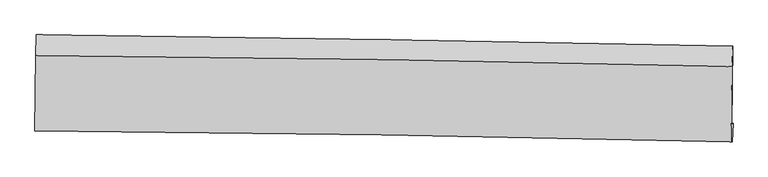
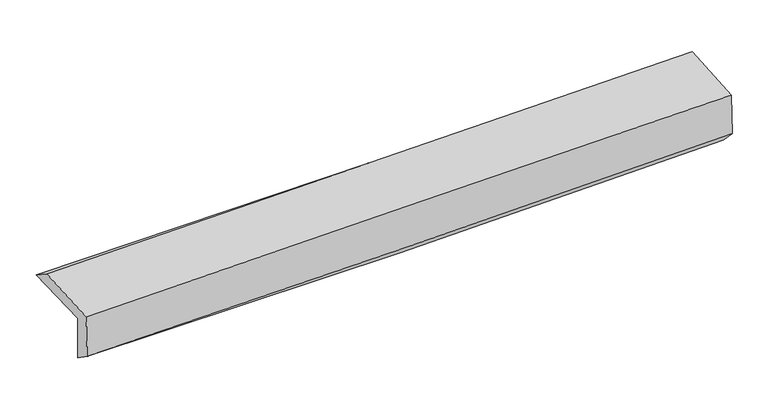
"""IFC4 building model written with IfcOpenShell, lengths in millimetres: proxy geometry."""

from ifc_helpers import new_model, si_unit, frame, origin, place, context, project, spatial, source, transform, mapped, element, save
from ifc_brep_helpers import plane_surface, spline_curve, spline_surface, advanced_brep


def generic_models_fbefbb0f(model_context):
    return source(origin(), model_context, "Body", "AdvancedBrep", [
        advanced_brep(
        [(-2984.5013534, -1759.8073733, 1976.1777905), (-2978.4077812, -1080.5065082, 1990.4393045), (2970.868915, -1177.0112699, 2112.7228976), (2960.7509034, -1853.3276905, 2108.3089153), (-2973.1799038, -1747.018965, 1576.8777085), (2972.4880691, -1840.0697004, 1694.3468009), (-2977.7413192, -1902.2083258, 1686.6192734), (2965.6869239, -1996.1894641, 1853.5645959), (-2988.8791033, -1904.6282183, 2082.9047461), (2954.8860055, -1998.5489902, 2239.8529827), (-2983.537521, -1258.5849485, 2112.6428892), (2963.8363831, -1352.5502915, 2269.6920194)],
        [
            (0, 1),
            (1, 2, spline_curve(3, [(-2978.4077812, -1080.5065082, 1990.4393045), (-1985.747455371, -1093.312138878, 1983.897184442), (-993.399475607, -1107.761802185, 1990.828110129), (989.692140131, -1139.933301416, 2031.615904402), (1980.43639226, -1157.651891956, 2065.446176175), (2970.868915, -1177.0112699, 2112.7228976)], [4, 2, 4], [0.0, 9.76577554787496, 19.52190722614507])),
            (2, 3),
            (3, 0, spline_curve(3, [(2960.7509034, -1853.3276905, 2108.3089153), (1971.422800457, -1826.784794102, 2051.252371057), (981.566069473, -1805.721128362, 2011.709954865), (-1000.183637043, -1774.536851329, 1967.631604523), (-1992.077658497, -1764.427078306, 1963.130312018), (-2984.5013534, -1759.8073733, 1976.1777905)], [4, 2, 4], [0.0, 9.756131678270112, 19.52190722614507])),
            (4, 0),
            (3, 5),
            (5, 4, spline_curve(3, [(2972.4880691, -1840.0697004, 1694.3468009), (1982.999233019, -1813.708364004, 1642.959203595), (993.02748721, -1792.774615663, 1607.473290481), (-988.86088168, -1761.746968404, 1568.285473642), (-1980.778460161, -1751.663804649, 1564.615022468), (-2973.1799038, -1747.018965, 1576.8777085)], [4, 2, 4], [0.0, 9.753375222222962, 19.51639158931277])),
            (6, 4),
            (5, 7),
            (7, 6, spline_curve(3, [(2965.6869239, -1996.1894641, 1853.5645959), (1976.118021845, -1970.426298303, 1810.722225865), (986.292682843, -1949.714326081, 1775.392090711), (-994.849557924, -1918.377288947, 1719.728790683), (-1986.166966577, -1907.76221507, 1699.410485307), (-2977.7413192, -1902.2083258, 1686.6192734)], [4, 2, 4], [0.0, 9.751688204002207, 19.51301588526526])),
            (8, 6),
            (7, 9),
            (9, 8, spline_curve(3, [(2954.8860055, -1998.5489902, 2239.8529827), (1965.072587331, -1972.836543131, 2205.341438379), (975.096885925, -1952.154968443, 2175.011041438), (-1006.157829568, -1920.838093345, 2122.686692207), (-1997.437164041, -1910.212744243, 2100.701010783), (-2988.8791033, -1904.6282183, 2082.9047461)], [4, 2, 4], [0.0, 9.750307334615654, 19.510252781512186])),
            (10, 8),
            (9, 11),
            (11, 10, spline_curve(3, [(2963.8363831, -1352.5502915, 2269.6920194), (1973.31074431, -1326.827383876, 2235.160616625), (982.678320743, -1306.136865933, 2204.811885346), (-999.779436292, -1274.805130714, 2152.453902283), (-1991.60498044, -1264.173868016, 2130.452923107), (-2983.537521, -1258.5849485, 2112.6428892)], [4, 2, 4], [0.0, 9.753239077782338, 19.516119165853674])),
            (1, 10),
            (11, 2),
        ],
        [
            spline_surface(3, 3, [[(-2984.5013534, -1759.8073733, 1976.1777905), (-1992.07765848, -1764.427078422, 1963.130312165), (-1000.183637117, -1774.536851448, 1967.631604407), (981.566069546, -1805.721128243, 2011.709954981), (1971.422800444, -1826.784794261, 2051.252371003), (2960.7509034, -1853.3276905, 2108.3089153)], [(-2982.470162639, -1533.373751605, 1980.931628483), (-1989.967590746, -1540.722098554, 1970.052602859), (-997.92224992, -1552.27850168, 1975.363772972), (984.274759675, -1583.791852655, 2018.345271457), (1974.427331037, -1603.740493519, 2055.983639425), (2964.123573941, -1627.888883643, 2109.780242735)], [(-2980.438971961, -1306.940129895, 1985.685466517), (-1987.857523095, -1317.017118673, 1976.974893605), (-995.660862664, -1330.020151902, 1983.095941547), (986.983449863, -1361.862577056, 2024.980587942), (1977.431861608, -1380.696192749, 2060.714907841), (2967.496244459, -1402.450076757, 2111.251570165)], [(-2978.4077812, -1080.5065082, 1990.4393045), (-1985.74745536, -1093.312138805, 1983.897184299), (-993.399475468, -1107.761802134, 1990.828110112), (989.692139992, -1139.933301467, 2031.615904419), (1980.436392201, -1157.651892007, 2065.446176264), (2970.868915, -1177.0112699, 2112.7228976)]], [4, 4], [4, 2, 4], [0.0, 2.187244456033952], [0.0, 9.76577554787496, 19.52190722614507]),
            spline_surface(3, 3, [[(-2973.1799038, -1747.018965, 1576.8777085), (-1980.778460283, -1751.663804715, 1564.615022512), (-988.860881792, -1761.746968344, 1568.28547351), (993.027487322, -1792.774615723, 1607.473290613), (1982.999233146, -1813.708363878, 1642.959203709), (2972.4880691, -1840.0697004, 1694.3468009)], [(-2976.953720356, -1751.281767751, 1709.977735861), (-1984.544859705, -1755.918229268, 1697.453452424), (-992.63513356, -1766.010262697, 1701.400850482), (989.207014738, -1797.090119882, 1742.218845409), (1979.140422232, -1818.067173993, 1779.056926151), (2968.57568052, -1844.489030421, 1832.334172377)], [(-2980.727536844, -1755.544570549, 1843.077763139), (-1988.311259059, -1760.172653869, 1830.291882253), (-996.409385349, -1770.273557094, 1834.516227434), (985.386542131, -1801.405624085, 1876.964400185), (1975.281611357, -1822.425984146, 1915.154648561), (2964.66329198, -1848.908360479, 1970.321543823)], [(-2984.5013534, -1759.8073733, 1976.1777905), (-1992.07765848, -1764.427078422, 1963.130312165), (-1000.183637117, -1774.536851448, 1967.631604407), (981.566069546, -1805.721128243, 2011.709954981), (1971.422800444, -1826.784794261, 2051.252371003), (2960.7509034, -1853.3276905, 2108.3089153)]], [4, 4], [4, 2, 4], [0.0, 1.3194106931023197], [0.0, 9.76301636708981, 19.51639158931277]),
            spline_surface(3, 3, [[(-2977.7413192, -1902.2083258, 1686.6192734), (-1986.166966481, -1907.762214961, 1699.410485429), (-994.849557782, -1918.377288926, 1719.728790811), (986.292682702, -1949.714326102, 1775.392090583), (1976.11802169, -1970.426298238, 1810.722226007), (2965.6869239, -1996.1894641, 1853.5645959)], [(-2976.220847375, -1850.47853888, 1650.038751753), (-1984.370797723, -1855.729411559, 1654.478664443), (-992.853332457, -1866.167182063, 1669.247685023), (988.537617571, -1897.401089307, 1719.419157239), (1978.411758854, -1918.186986807, 1754.801218567), (2967.953972312, -1944.149542889, 1800.491997559)], [(-2974.700375625, -1798.74875192, 1613.458230147), (-1982.574629041, -1803.696608116, 1609.546843497), (-990.857107118, -1813.957075206, 1618.766579298), (990.782552453, -1845.087852518, 1663.446223958), (1980.705495982, -1865.947675309, 1698.880211149), (2970.221020688, -1892.109621611, 1747.419399241)], [(-2973.1799038, -1747.018965, 1576.8777085), (-1980.778460283, -1751.663804715, 1564.615022512), (-988.860881792, -1761.746968344, 1568.28547351), (993.027487322, -1792.774615723, 1607.473290613), (1982.999233146, -1813.708363878, 1642.959203709), (2972.4880691, -1840.0697004, 1694.3468009)]], [4, 4], [4, 2, 4], [0.0, 0.7344788615873554], [0.0, 9.761327681263055, 19.51301588526526]),
            spline_surface(3, 3, [[(-2988.8791033, -1904.6282183, 2082.9047461), (-1997.437164086, -1910.212744193, 2100.701010645), (-1006.157829454, -1920.83809346, 2122.686692307), (975.096885811, -1952.154968328, 2175.011041338), (1965.072587467, -1972.83654299, 2205.341438525), (2954.8860055, -1998.5489902, 2239.8529827)], [(-2985.166508616, -1903.821587466, 1950.809588526), (-1993.680431567, -1909.395901116, 1966.937502232), (-1002.388405547, -1920.017825282, 1988.367391824), (978.828818125, -1951.34142092, 2041.804724435), (1968.754398875, -1972.033128053, 2073.801701017), (2958.486311634, -1997.76248148, 2111.090187097)], [(-2981.453913884, -1903.014956634, 1818.714430974), (-1989.923699, -1908.579058039, 1833.173993841), (-998.61898169, -1919.197557103, 1854.048091294), (982.560750388, -1950.52787351, 1908.598407486), (1972.436210281, -1971.229713175, 1942.261963516), (2962.086617766, -1996.97597282, 1982.327391503)], [(-2977.7413192, -1902.2083258, 1686.6192734), (-1986.166966481, -1907.762214961, 1699.410485429), (-994.849557782, -1918.377288926, 1719.728790811), (986.292682702, -1949.714326102, 1775.392090583), (1976.11802169, -1970.426298238, 1810.722226007), (2965.6869239, -1996.1894641, 1853.5645959)]], [4, 4], [4, 2, 4], [0.0, 1.3171104845369843], [0.0, 9.759945446896532, 19.510252781512186]),
            spline_surface(3, 3, [[(-2983.537521, -1258.5849485, 2112.6428892), (-1991.604980433, -1264.17386797, 2130.452923167), (-999.779436191, -1274.805130875, 2152.453902199), (982.678320642, -1306.136865772, 2204.81188543), (1973.310744399, -1326.827383839, 2235.160616482), (2963.8363831, -1352.5502915, 2269.6920194)], [(-2985.31804843, -1473.932705091, 2102.730174834), (-1993.549041648, -1479.520160035, 2120.535618994), (-1001.905567287, -1490.14945173, 2142.531498888), (980.15117569, -1521.476233284, 2194.878270718), (1970.564692064, -1542.163770218, 2225.220890514), (2960.852923876, -1567.883191062, 2259.745673852)], [(-2987.09857587, -1689.280461709, 2092.817460466), (-1995.493102871, -1694.866452128, 2110.618314818), (-1004.031698359, -1705.493772605, 2132.609095618), (977.624030763, -1736.815600816, 2184.944656049), (1967.818639802, -1757.50015661, 2215.281164492), (2957.869464724, -1783.216090638, 2249.799328248)], [(-2988.8791033, -1904.6282183, 2082.9047461), (-1997.437164086, -1910.212744193, 2100.701010645), (-1006.157829454, -1920.83809346, 2122.686692307), (975.096885811, -1952.154968328, 2175.011041338), (1965.072587467, -1972.83654299, 2205.341438525), (2954.8860055, -1998.5489902, 2239.8529827)]], [4, 4], [4, 2, 4], [0.0, 2.1218812588851272], [0.0, 9.762880088071336, 19.516119165853674]),
            spline_surface(3, 3, [[(-2978.4077812, -1080.5065082, 1990.4393045), (-1985.74745536, -1093.312138805, 1983.897184299), (-993.399475468, -1107.761802134, 1990.828110112), (989.692139992, -1139.933301467, 2031.615904419), (1980.436392201, -1157.651892007, 2065.446176264), (2970.868915, -1177.0112699, 2112.7228976)], [(-2980.117694484, -1139.865988307, 2031.173832742), (-1987.699963736, -1150.266048534, 2032.749097264), (-995.526129035, -1163.442911733, 2044.703374157), (987.354200216, -1195.334489588, 2089.347898105), (1978.061176284, -1214.043722623, 2122.017656315), (2968.524737717, -1235.524277105, 2165.045938179)], [(-2981.827607716, -1199.225468393, 2071.908360958), (-1989.652472058, -1207.219958241, 2081.601010203), (-997.652782624, -1219.124021276, 2098.578638154), (985.016260418, -1250.735677651, 2147.079891744), (1975.685960316, -1270.435553223, 2178.58913643), (2966.180560383, -1294.037284295, 2217.368978821)], [(-2983.537521, -1258.5849485, 2112.6428892), (-1991.604980433, -1264.17386797, 2130.452923167), (-999.779436191, -1274.805130875, 2152.453902199), (982.678320642, -1306.136865772, 2204.81188543), (1973.310744399, -1326.827383839, 2235.160616482), (2963.8363831, -1352.5502915, 2269.6920194)]], [4, 4], [4, 2, 4], [0.0, 0.7752288328833657], [0.0, 9.76702378915406, 19.52440247604376]),
            plane_surface(frame((2964.7528667, -1702.9495678, 2046.414702), z_axis=(0.9994974134463673, -0.01513474221418304, 0.02785426524128496), x_axis=(0.027949319453489718, 0.006105698416975086, -0.9995906942288567))),
            plane_surface(frame((-2981.0411637, -1608.7923898, 1904.276952), z_axis=(-0.9995612803696254, 0.009554996375799315, -0.028034778937844427), x_axis=(-0.008968021584616856, -0.9997394857596021, -0.020988930463086104))),
        ],
        [
            (0, [[1, 2, 3, 4]]),
            (1, [[5, -4, 6, 7]]),
            (2, [[8, -7, 9, 10]]),
            (3, [[11, -10, 12, 13]]),
            (4, [[14, -13, 15, 16]]),
            (5, [[17, -16, 18, -2]]),
            (6, [[-12, -9, -6, -3, -18, -15]]),
            (7, [[-1, -5, -8, -11, -14, -17]]),
        ],
    ),
    ])


if __name__ == "__main__":
    model = new_model("IFC4")
    model_context = context("Model", 3, world=origin())
    ifc_project = project(units=[si_unit("LENGTHUNIT", "METRE", prefix="MILLI")], contexts=[model_context])
    site = spatial("IfcSite", under=ifc_project)
    building = spatial("IfcBuilding", under=site)
    placement = place(None, origin())
    generic_models_shape = generic_models_fbefbb0f(model_context)
    element("IfcBuildingElementProxy", 1, Name="Generic Models", at=placement, inside=building, context=model_context, shape_type="MappedRepresentation", body=[
        mapped(generic_models_shape, transform((0.0, 0.0, 0.0), x_axis=(1.0, 0.0, 0.0), y_axis=(0.0, 1.0, 0.0), z_axis=(0.0, 0.0, 1.0))),
    ])
    save(model, "model.ifc")
